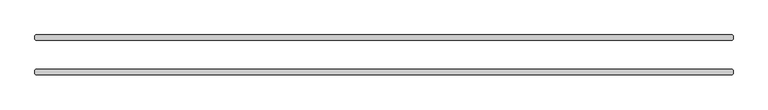
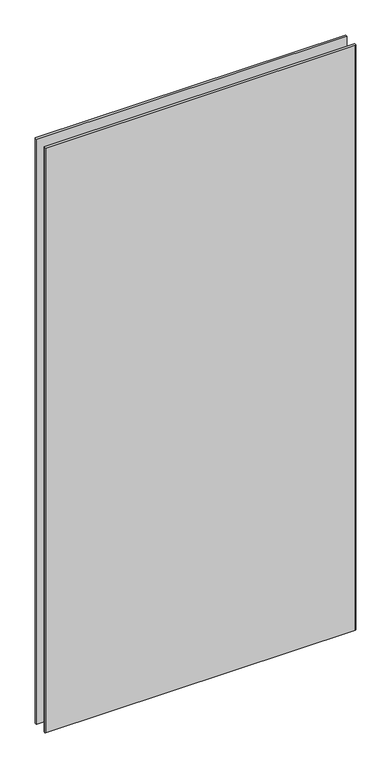
"""IFC4 building model written with IfcOpenShell, lengths in millimetres: plate geometry."""

from ifc_helpers import new_model, si_unit, origin, origin_with_axes, place, context, project, spatial, polyline, outline, extrude, source, transform, mapped, element, save


def plate_bdef93dc(model_context):
    return source(origin(), model_context, "Body", "SweptSolid", [
        extrude(outline(polyline([(609.6, -25.4), (611.1875, -26.9875), (611.1875, -33.3375), (609.6, -34.925), (-609.6, -34.925), (-611.1875, -33.3375), (-611.1875, -26.9875), (-609.6, -25.4), (609.6, -25.4)])), origin_with_axes(), (0.0, 0.0, 1.0), 2428.7789267),
        extrude(outline(polyline([(609.6, 34.925), (611.1875, 33.3375), (611.1875, 26.9875), (609.6, 25.4), (-609.6, 25.4), (-611.1875, 26.9875), (-611.1875, 33.3375), (-609.6, 34.925), (609.6, 34.925)])), origin_with_axes(), (0.0, 0.0, 1.0), 2428.7789267),
    ])


if __name__ == "__main__":
    model = new_model("IFC4")
    model_context = context("Model", 3, world=origin())
    ifc_project = project(units=[si_unit("LENGTHUNIT", "METRE", prefix="MILLI")], contexts=[model_context])
    site = spatial("IfcSite", under=ifc_project)
    building = spatial("IfcBuilding", under=site)
    placement = place(None, origin())
    plate_shape = plate_bdef93dc(model_context)
    element("IfcPlate", 1, at=placement, inside=building, context=model_context, shape_type="MappedRepresentation", body=[
        mapped(plate_shape, transform((0.0, 0.0, 0.0), x_axis=(1.0, 0.0, 0.0), y_axis=(0.0, 1.0, 0.0), z_axis=(0.0, 0.0, 1.0))),
    ])
    save(model, "model.ifc")
